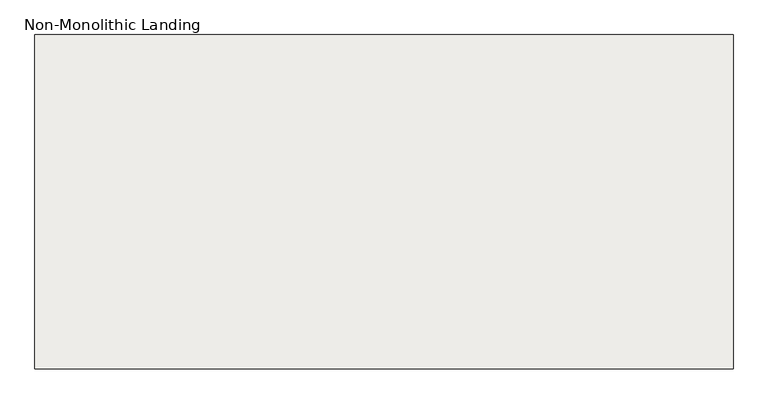
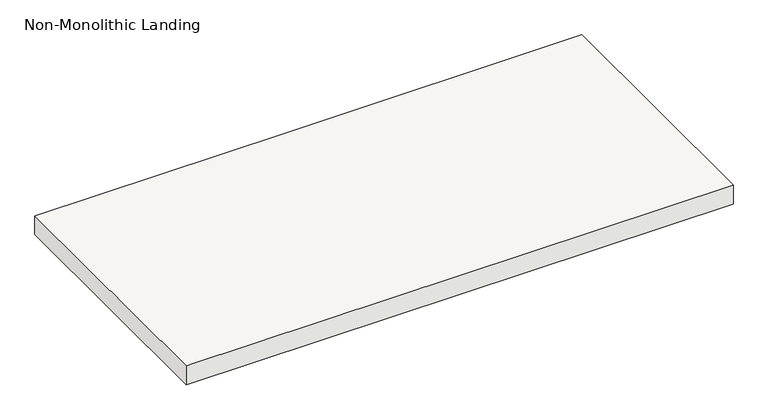
"""IFC4 building model written with IfcOpenShell, lengths in millimetres: slab geometry, Non-Monolithic Landing."""

from ifc_helpers import new_model, si_unit, frame, origin, place, context, project, spatial, polyline, outline, extrude, source, transform, mapped, element, save


def non_monolithic_landing_8a598018(model_context):
    return source(origin(), model_context, "Body", "SweptSolid", [
        extrude(outline(polyline([(382.7538022, 6787.392245), (1703.5538022, 6787.392245), (1703.5538022, 5618.992245), (-734.8461978, 5618.992245), (-734.8461978, 6787.392245), (382.7538022, 6787.392245)])), frame((0.0, 0.0, 1663.7), z_axis=(0.0, 0.0, 1.0), x_axis=(1.0, 0.0, 0.0)), (0.0, 0.0, 1.0), 88.9),
    ])


if __name__ == "__main__":
    model = new_model("IFC4")
    model_context = context("Model", 3, world=origin())
    ifc_project = project(units=[si_unit("LENGTHUNIT", "METRE", prefix="MILLI")], contexts=[model_context])
    site = spatial("IfcSite", under=ifc_project)
    building = spatial("IfcBuilding", under=site)
    placement = place(None, origin())
    non_monolithic_landing_shape = non_monolithic_landing_8a598018(model_context)
    element("IfcSlab", 1, ObjectType="Non-Monolithic Landing", at=placement, inside=building, context=model_context, shape_type="MappedRepresentation", body=[
        mapped(non_monolithic_landing_shape, transform((0.0, 0.0, 0.0), x_axis=(1.0, 0.0, 0.0), y_axis=(0.0, 1.0, 0.0), z_axis=(0.0, 0.0, 1.0))),
    ])
    save(model, "model.ifc")
